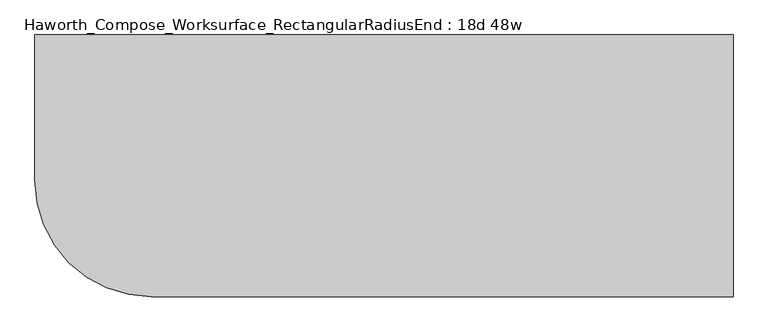
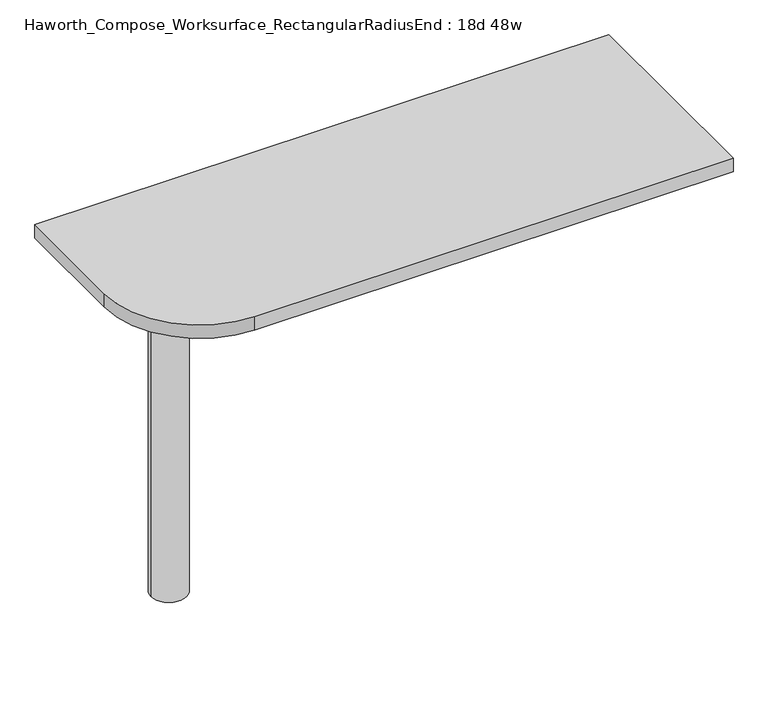
"""IFC4 building model written with IfcOpenShell, lengths in millimetres: furniture geometry, Haworth_Compose_Worksurface_RectangularRadiusEnd : 18d 48w."""

from ifc_helpers import new_model, si_unit, point, frame, frame_2d, origin, place, context, project, spatial, polyline, circle_curve, trimmed, segment, composite_curve, outline, extrude, source, transform, mapped, element, save
from ifc_brep_helpers import plane_surface, cylinder_surface, revolved_surface, advanced_brep


def haworth_compose_worksurface_rectangularradiusend_18d_48w_39e0b045(model_context):
    return source(origin(), model_context, "Body", "SolidModel", [
        advanced_brep(
        [(604.04375, 228.6, 475.45625), (604.04375, 212.725, 475.45625), (604.04375, -177.8, 691.7192568), (604.04375, -177.8, 704.05625), (604.04375, 212.725, 704.05625), (604.04375, 228.6, 704.05625), (604.04375, 145.290072, 665.95625), (604.04375, 101.6355284, 665.95625), (604.04375, 98.9564235, 656.3705539), (604.04375, 190.6776173, 605.5776439), (604.04375, 200.025, 611.1756969), (604.04375, 200.025, 634.6860246), (604.04375, 198.2730055, 637.5242776), (604.04375, 148.3663437, 665.1613425), (606.425, 228.6, 475.45625), (606.425, 228.6, 704.05625), (606.425, 212.725, 704.05625), (606.425, 212.725, 706.4375), (606.425, -177.8, 706.4375), (606.425, -177.8, 691.7192568), (606.425, 212.725, 475.45625), (606.425, 145.290072, 665.95625), (606.425, 148.3663437, 665.1613425), (606.425, 198.2730055, 637.5242776), (606.425, 200.025, 634.6860246), (606.425, 200.025, 611.1756969), (606.425, 190.6776173, 605.5776439), (606.425, 98.9564235, 656.3705539), (606.425, 101.6355284, 665.95625), (565.15, -177.8, 706.4375), (565.15, -177.8, 704.05625), (565.15, 212.725, 704.05625), (565.15, 212.725, 706.4375)],
        [
            (0, 1),
            (1, 2),
            (2, 3),
            (3, 4),
            (4, 5),
            (5, 0),
            (6, 7),
            (7, 8, circle_curve(frame((604.04375, 101.6355284, 660.7890106), z_axis=(1.0, 0.0, 0.0), x_axis=(0.0, -1.0, 0.0)), 5.1672394)),
            (8, 9),
            (9, 10, circle_curve(frame((604.04375, 193.675, 611.1756969), z_axis=(1.0, 0.0, 0.0), x_axis=(0.0, -1.0, 0.0)), 6.35)),
            (10, 11),
            (11, 12, circle_curve(frame((604.04375, 196.85, 634.6860246), z_axis=(1.0, 0.0, 0.0), x_axis=(0.0, -1.0, 0.0)), 3.175)),
            (12, 13),
            (13, 6, circle_curve(frame((604.04375, 145.290072, 659.60625), z_axis=(1.0, 0.0, 0.0), x_axis=(0.0, -1.0, 0.0)), 6.35)),
            (14, 15),
            (15, 16),
            (16, 17),
            (17, 18),
            (18, 19),
            (19, 20),
            (20, 14),
            (21, 22, circle_curve(frame((606.425, 145.290072, 659.60625), z_axis=(-1.0, 0.0, 0.0), x_axis=(0.0, -1.0, 0.0)), 6.35)),
            (22, 23),
            (23, 24, circle_curve(frame((606.425, 196.85, 634.6860246), z_axis=(-1.0, 0.0, 0.0), x_axis=(0.0, -1.0, 0.0)), 3.175)),
            (24, 25),
            (25, 26, circle_curve(frame((606.425, 193.675, 611.1756969), z_axis=(-1.0, 0.0, 0.0), x_axis=(0.0, -1.0, 0.0)), 6.35)),
            (26, 27),
            (27, 28, circle_curve(frame((606.425, 101.6355284, 660.7890106), z_axis=(-1.0, 0.0, 0.0), x_axis=(0.0, -1.0, 0.0)), 5.1672394)),
            (28, 21),
            (4, 16),
            (15, 5),
            (14, 0),
            (20, 1),
            (19, 2),
            (18, 29),
            (29, 30),
            (30, 3),
            (6, 21),
            (28, 7),
            (9, 26),
            (25, 10),
            (24, 11),
            (23, 12),
            (27, 8),
            (31, 4),
            (30, 31),
            (32, 29),
            (17, 32),
            (31, 32),
            (22, 13),
        ],
        [
            plane_surface(frame((604.04375, 228.6, 475.45625), z_axis=(-1.0, 0.0, 0.0), x_axis=(0.0, 1.0, 0.0))),
            plane_surface(frame((606.425, 228.6, 475.45625), z_axis=(1.0, 0.0, 0.0), x_axis=(0.0, -1.0, 0.0))),
            plane_surface(frame((606.425, -177.8, 704.05625), z_axis=(0.0, 0.0, 1.0), x_axis=(-1.0, 0.0, 0.0))),
            plane_surface(frame((606.425, 228.6, 704.05625), z_axis=(0.0, 1.0, 0.0), x_axis=(-1.0, 0.0, 0.0))),
            plane_surface(frame((606.425, 228.6, 475.45625), z_axis=(0.0, 0.0, -1.0), x_axis=(-1.0, 0.0, 0.0))),
            plane_surface(frame((606.425, 212.725, 475.45625), z_axis=(0.0, -0.48445223513455843, -0.8748177135112952), x_axis=(-1.0, 0.0, 0.0))),
            plane_surface(frame((606.425, -177.8, 691.7192568), z_axis=(0.0, -1.0, 0.0), x_axis=(-1.0, 0.0, 0.0))),
            plane_surface(frame((606.425, 145.290072, 665.95625), z_axis=(0.0, 0.0, -1.0), x_axis=(-1.0, 0.0, 0.0))),
            revolved_surface(polyline([(604.04375, 187.32500000000002, 611.1756969), (606.425, 187.32500000000002, 611.1756969)]), (606.425, 193.675, 611.1756969), (-1.0, 0.0, 0.0)),
            plane_surface(frame((606.425, 200.025, 611.1756969), z_axis=(0.0, -1.0, 0.0), x_axis=(-1.0, 0.0, 0.0))),
            revolved_surface(polyline([(604.04375, 193.67499999999998, 634.6860246), (606.425, 193.67499999999998, 634.6860246)]), (606.425, 196.85, 634.6860246), (-1.0, 0.0, 0.0)),
            revolved_surface(polyline([(604.04375, 96.468289, 660.7890106), (606.425, 96.468289, 660.7890106)]), (606.425, 101.6355284, 660.7890106), (-1.0, 0.0, 0.0)),
            plane_surface(frame((606.425, 212.725, 704.05625), z_axis=(0.0, 0.0, -1.0), x_axis=(-1.0, 0.0, 0.0))),
            plane_surface(frame((606.425, 212.725, 706.4375), z_axis=(0.0, 0.0, 1.0), x_axis=(1.0, 0.0, 0.0))),
            plane_surface(frame((565.15, 212.725, 706.4375), z_axis=(0.0, 1.0, 0.0), x_axis=(0.0, 0.0, -1.0))),
            plane_surface(frame((565.15, -177.8, 706.4375), z_axis=(-1.0, 0.0, 0.0), x_axis=(0.0, 0.0, -1.0))),
            plane_surface(frame((606.425, 98.9564235, 656.3705539), z_axis=(0.0, 0.4844522351345583, 0.8748177135112953), x_axis=(-1.0, 0.0, 0.0))),
            plane_surface(frame((606.425, 198.2730055, 637.5242776), z_axis=(0.0, -0.4844522351345582, -0.8748177135112953), x_axis=(-1.0, 0.0, 0.0))),
            revolved_surface(polyline([(604.04375, 138.94007200000001, 659.60625), (606.425, 138.94007200000001, 659.60625)]), (606.425, 145.290072, 659.60625), (-1.0, 0.0, 0.0)),
        ],
        [
            (0, [[1, 2, 3, 4, 5, 6], [7, 8, 9, 10, 11, 12, 13, 14]]),
            (1, [[15, 16, 17, 18, 19, 20, 21], [22, 23, 24, 25, 26, 27, 28, 29]]),
            (2, [[-5, 30, -16, 31]]),
            (3, [[-31, -15, 32, -6]]),
            (4, [[-32, -21, 33, -1]]),
            (5, [[-33, -20, 34, -2]]),
            (6, [[-34, -19, 35, 36, 37, -3]]),
            (7, [[38, -29, 39, -7]]),
            (8, [[40, -26, 41, -10]]),
            (9, [[-41, -25, 42, -11]]),
            (10, [[-42, -24, 43, -12]]),
            (11, [[-39, -28, 44, -8]]),
            (12, [[45, -4, -37, 46]]),
            (13, [[47, -35, -18, 48]]),
            (14, [[-17, -30, -45, 49, -48]]),
            (15, [[-36, -47, -49, -46]]),
            (16, [[-44, -27, -40, -9]]),
            (17, [[-43, -23, 50, -13]]),
            (18, [[-50, -22, -38, -14]]),
        ],
    ),
        advanced_brep(
        [(-419.1, 0.0, 706.4375), (-495.3, 0.0, 706.4375), (-457.2, 0.0, 706.4375), (-419.1, 0.0, 0.0), (-495.3, 0.0, 0.0), (-457.2, 0.0, 0.0)],
        [
            (0, 1, circle_curve(frame((-457.2, 0.0, 706.4375), z_axis=(0.0, 0.0, 1.0), x_axis=(-1.0, 0.0, 0.0)), 38.1)),
            (1, 2),
            (2, 0),
            (1, 0, circle_curve(frame((-457.2, 0.0, 706.4375), z_axis=(0.0, 0.0, 1.0), x_axis=(-1.0, 0.0, 0.0)), 38.1)),
            (3, 4, circle_curve(frame((-457.2, 0.0, 0.0), z_axis=(0.0, 0.0, 1.0), x_axis=(-1.0, 0.0, 0.0)), 38.1)),
            (4, 1),
            (0, 3),
            (4, 3, circle_curve(frame((-457.2, 0.0, 0.0), z_axis=(0.0, 0.0, 1.0), x_axis=(-1.0, 0.0, 0.0)), 38.1)),
            (5, 4),
            (3, 5),
        ],
        [
            plane_surface(frame((-457.2, 0.0, 706.4375), z_axis=(0.0, 0.0, 1.0), x_axis=(-1.0, 0.0, 0.0))),
            cylinder_surface(frame((-457.2, 0.0, 889.623257), z_axis=(0.0, 0.0, -1.0), x_axis=(-1.0, 0.0, 0.0)), 38.1),
            plane_surface(frame((-457.2, 0.0, 0.0), z_axis=(0.0, 0.0, -1.0), x_axis=(-1.0, 0.0, 0.0))),
        ],
        [
            (0, [[1, 2, 3]]),
            (0, [[4, -3, -2]]),
            (1, [[5, 6, -1, 7]]),
            (1, [[8, -7, -4, -6]]),
            (2, [[9, -5, 10]]),
            (2, [[-10, -8, -9]]),
        ],
    ),
        extrude(outline(composite_curve([segment(polyline([(609.6, 228.6), (609.6, -228.6), (-406.4, -228.6)]), True, "CONTINUOUS"), segment(trimmed(circle_curve(frame_2d((-406.4, -25.4)), 203.2), [point((-406.4, -228.6))], [point((-609.6, -25.4))], False, "CARTESIAN"), True, "CONTINUOUS"), segment(polyline([(-609.6, -25.4), (-609.6, 228.6), (609.6, 228.6)]), True, "CONTINUOUS")], self_intersect=False)), frame((0.0, 0.0, 706.4375), z_axis=(0.0, 0.0, 1.0), x_axis=(1.0, 0.0, 0.0)), (0.0, 0.0, 1.0), 30.1625),
    ])


if __name__ == "__main__":
    model = new_model("IFC4")
    model_context = context("Model", 3, world=origin())
    ifc_project = project(units=[si_unit("LENGTHUNIT", "METRE", prefix="MILLI")], contexts=[model_context])
    site = spatial("IfcSite", under=ifc_project)
    building = spatial("IfcBuilding", under=site)
    placement = place(None, origin())
    haworth_compose_worksurface_rectangularradiusend_18d_48w_shape = haworth_compose_worksurface_rectangularradiusend_18d_48w_39e0b045(model_context)
    element("IfcFurniture", 1, ObjectType="Haworth_Compose_Worksurface_RectangularRadiusEnd : 18d 48w", at=placement, inside=building, context=model_context, shape_type="MappedRepresentation", body=[
        mapped(haworth_compose_worksurface_rectangularradiusend_18d_48w_shape, transform((0.0, 0.0, 0.0), x_axis=(1.0, 0.0, 0.0), y_axis=(0.0, 1.0, 0.0), z_axis=(0.0, 0.0, 1.0))),
    ])
    save(model, "model.ifc")
